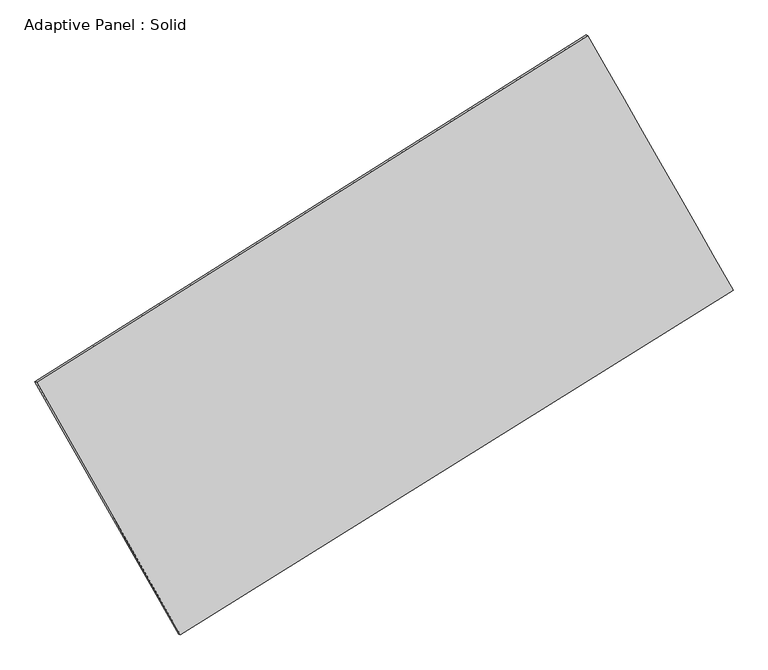
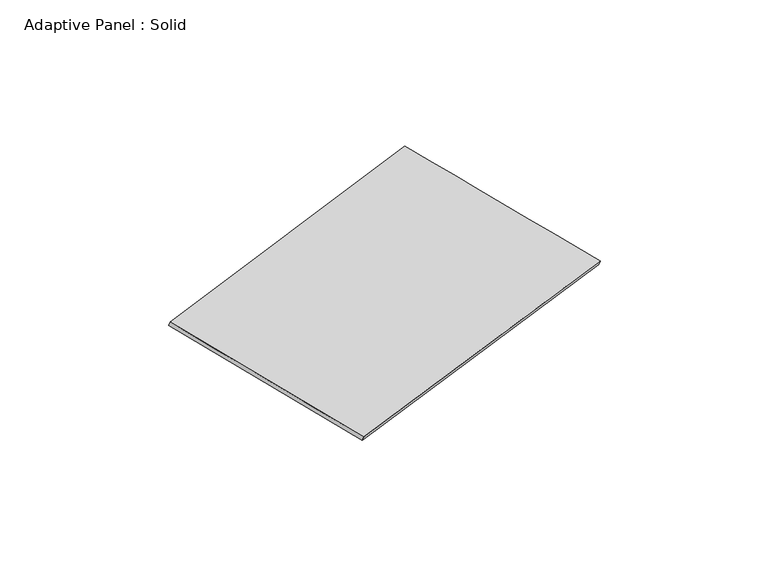
"""IFC4 building model written with IfcOpenShell, lengths in millimetres: plate geometry, Adaptive Panel : Solid."""

from ifc_helpers import new_model, si_unit, frame, origin, place, context, project, spatial, source, transform, mapped, element, save
from ifc_brep_helpers import plane_surface, spline_surface, advanced_brep


def adaptive_panel_solid_331a1e45(model_context):
    return source(origin(), model_context, "Body", "AdvancedBrep", [
        advanced_brep(
        [(1153.2471203, 2562.551505, 668.0146358), (-3738.4635683, -513.5512681, 1774.8626841), (-3723.7972125, -519.9313616, 1822.2355921), (1167.9134761, 2556.1714115, 715.3875438), (-2461.3637278, -2754.4240881, 1070.9730687), (-2446.697372, -2760.8041815, 1118.3459768), (2443.2895977, 305.1752784, -28.7278684), (2457.9559536, 298.7951849, 18.6450396)],
        [
            (0, 1),
            (1, 2),
            (2, 3),
            (3, 0),
            (1, 4),
            (4, 5),
            (5, 2),
            (4, 6),
            (6, 7),
            (7, 5),
            (6, 0),
            (3, 7),
        ],
        [
            plane_surface(frame((-1292.608224, 1024.5001184, 1221.4386599), z_axis=(-0.47135430868889, 0.8429177547266795, 0.2594509095126709), x_axis=(-0.8314192962302693, -0.5228296122748772, 0.18812535816435097))),
            plane_surface(frame((-3099.9136481, -1633.9876781, 1422.9178764), z_axis=(-0.8277173863178606, -0.5298064606427264, 0.18490279242985158), x_axis=(0.4776765570451218, -0.8381587558453049, -0.263277433232264))),
            plane_surface(frame((-9.037065, -1224.6244049, 521.1226002), z_axis=(0.46878560778289236, -0.8445265951910472, -0.25887233137328786), x_axis=(0.8335015929162243, 0.5199513148717063, -0.18688425500640884))),
            plane_surface(frame((1798.268359, 1433.8633917, 319.6433837), z_axis=(0.8276022500919099, 0.5300082063757974, -0.184839976241933), x_axis=(-0.4792615779143132, 0.8386341622167086, 0.25884567197108455))),
            spline_surface(1, 1, [[(-3723.7972125, -519.9313616, 1822.2355921), (1167.9134761, 2556.1714115, 715.3875438)], [(-2446.697372, -2760.8041815, 1118.3459768), (2457.9559536, 298.7951849, 18.6450396)]], [2, 2], [2, 2], [0.0, 1.0], [0.0, 1.0]),
            spline_surface(1, 1, [[(2443.2895977, 305.1752784, -28.7278684), (1153.2471203, 2562.551505, 668.0146358)], [(-2461.3637278, -2754.4240881, 1070.9730687), (-3738.4635683, -513.5512681, 1774.8626841)]], [2, 2], [2, 2], [0.0, 1.0], [0.0, 1.0]),
        ],
        [
            (0, [[1, 2, 3, 4]]),
            (1, [[5, 6, 7, -2]]),
            (2, [[8, 9, 10, -6]]),
            (3, [[11, -4, 12, -9]]),
            (4, [[-3, -7, -10, -12]]),
            (5, [[-11, -8, -5, -1]]),
        ],
    ),
    ])


if __name__ == "__main__":
    model = new_model("IFC4")
    model_context = context("Model", 3, world=origin())
    ifc_project = project(units=[si_unit("LENGTHUNIT", "METRE", prefix="MILLI")], contexts=[model_context])
    site = spatial("IfcSite", under=ifc_project)
    building = spatial("IfcBuilding", under=site)
    placement = place(None, origin())
    adaptive_panel_solid_shape = adaptive_panel_solid_331a1e45(model_context)
    element("IfcPlate", 1, ObjectType="Adaptive Panel : Solid", at=placement, inside=building, context=model_context, shape_type="MappedRepresentation", body=[
        mapped(adaptive_panel_solid_shape, transform((0.0, 0.0, 0.0), x_axis=(1.0, 0.0, 0.0), y_axis=(0.0, 1.0, 0.0), z_axis=(0.0, 0.0, 1.0))),
    ])
    save(model, "model.ifc")
